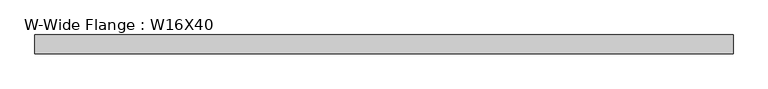
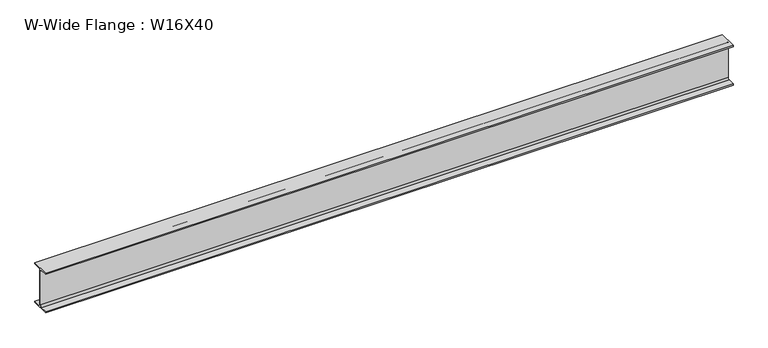
"""IFC4 building model written with IfcOpenShell, lengths in millimetres: beam geometry, W-Wide Flange : W16X40."""

from ifc_helpers import new_model, si_unit, point, frame, frame_2d, origin, place, context, project, spatial, polyline, circle_curve, trimmed, segment, composite_curve, outline, extrude, source, transform, mapped, element, save


def w_wide_flange_w16x40_e619151d(model_context):
    return source(origin(), model_context, "Body", "SweptSolid", [
        extrude(outline(composite_curve([segment(polyline([(88.9, -190.4), (88.9, -203.2), (-88.9, -203.2), (-88.9, -190.4), (-21.25, -190.4)]), True, "CONTINUOUS"), segment(trimmed(circle_curve(frame_2d((-21.25, -173.0)), 17.4), [point((-21.25, -190.4))], [point((-3.85, -173.0))], True, "CARTESIAN"), True, "CONTINUOUS"), segment(polyline([(-3.85, -173.0), (-3.85, 173.0)]), True, "CONTINUOUS"), segment(trimmed(circle_curve(frame_2d((-21.25, 173.0)), 17.4), [point((-3.85, 173.0))], [point((-21.25, 190.4))], True, "CARTESIAN"), True, "CONTINUOUS"), segment(polyline([(-21.25, 190.4), (-88.9, 190.4), (-88.9, 203.2), (88.9, 203.2), (88.9, 190.4), (21.25, 190.4)]), True, "CONTINUOUS"), segment(trimmed(circle_curve(frame_2d((21.25, 173.0)), 17.4), [point((21.25, 190.4))], [point((3.85, 173.0))], True, "CARTESIAN"), True, "CONTINUOUS"), segment(polyline([(3.85, 173.0), (3.85, -173.0)]), True, "CONTINUOUS"), segment(trimmed(circle_curve(frame_2d((21.25, -173.0)), 17.4), [point((3.85, -173.0))], [point((21.25, -190.4))], True, "CARTESIAN"), True, "CONTINUOUS"), segment(polyline([(21.25, -190.4), (88.9, -190.4)]), True, "CONTINUOUS")], self_intersect=False)), frame((-443.266383, 0.0, 0.0), z_axis=(1.0, 0.0, 0.0), x_axis=(0.0, 1.0, 0.0)), (0.0, 0.0, 1.0), 6645.8785798),
    ])


if __name__ == "__main__":
    model = new_model("IFC4")
    model_context = context("Model", 3, world=origin())
    ifc_project = project(units=[si_unit("LENGTHUNIT", "METRE", prefix="MILLI")], contexts=[model_context])
    site = spatial("IfcSite", under=ifc_project)
    building = spatial("IfcBuilding", under=site)
    placement = place(None, origin())
    w_wide_flange_w16x40_shape = w_wide_flange_w16x40_e619151d(model_context)
    element("IfcBeam", 1, ObjectType="W-Wide Flange : W16X40", at=placement, inside=building, context=model_context, shape_type="MappedRepresentation", body=[
        mapped(w_wide_flange_w16x40_shape, transform((0.0, 0.0, 0.0), x_axis=(1.0, 0.0, 0.0), y_axis=(0.0, 1.0, 0.0), z_axis=(0.0, 0.0, 1.0))),
    ])
    save(model, "model.ifc")
